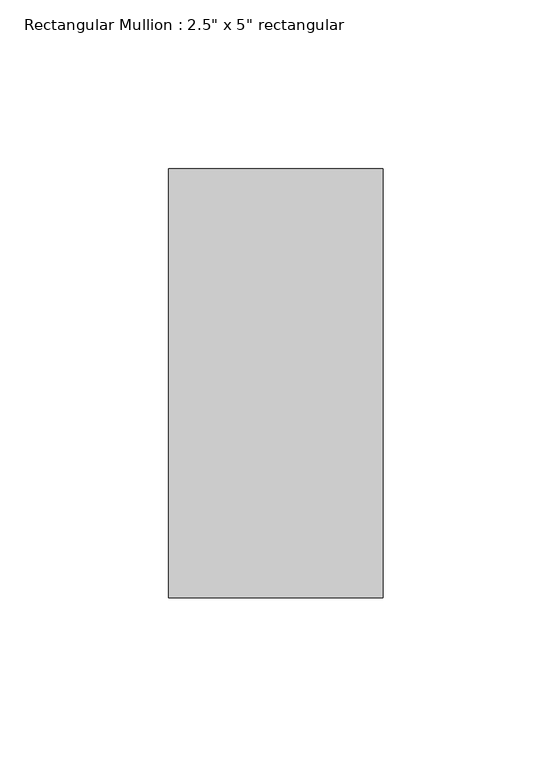
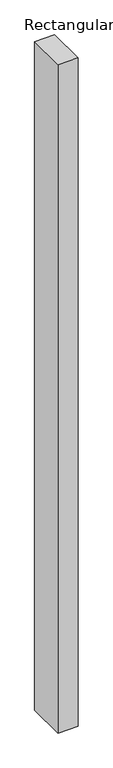
"""IFC4 building model written with IfcOpenShell, lengths in millimetres: member geometry."""

from ifc_helpers import new_model, si_unit, frame, origin, place, context, project, spatial, polyline, outline, extrude, source, transform, mapped, element, save


def member_d1708325(model_context):
    return source(origin(), model_context, "Body", "SweptSolid", [
        extrude(outline(polyline([(0.0, 63.5), (0.0, -63.5), (-63.5, -63.5), (-63.5, 63.5), (0.0, 63.5)])), frame((0.0, 0.0, -2235.2), z_axis=(0.0, 0.0, 1.0), x_axis=(1.0, 0.0, 0.0)), (0.0, 0.0, 1.0), 2235.2),
    ])


if __name__ == "__main__":
    model = new_model("IFC4")
    model_context = context("Model", 3, world=origin())
    ifc_project = project(units=[si_unit("LENGTHUNIT", "METRE", prefix="MILLI")], contexts=[model_context])
    site = spatial("IfcSite", under=ifc_project)
    building = spatial("IfcBuilding", under=site)
    placement = place(None, origin())
    member_shape = member_d1708325(model_context)
    element("IfcMember", 1, ObjectType="Rectangular Mullion : 2.5\" x 5\" rectangular", at=placement, inside=building, context=model_context, shape_type="MappedRepresentation", body=[
        mapped(member_shape, transform((0.0, 0.0, 0.0), x_axis=(1.0, 0.0, 0.0), y_axis=(0.0, 1.0, 0.0), z_axis=(0.0, 0.0, 1.0))),
    ])
    save(model, "model.ifc")
